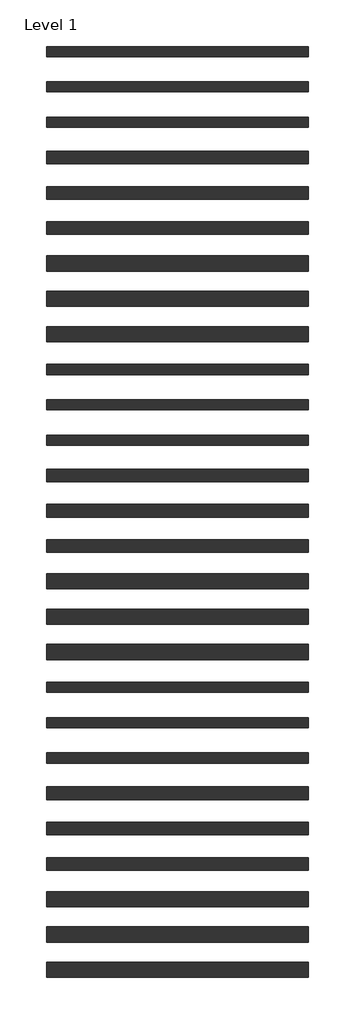
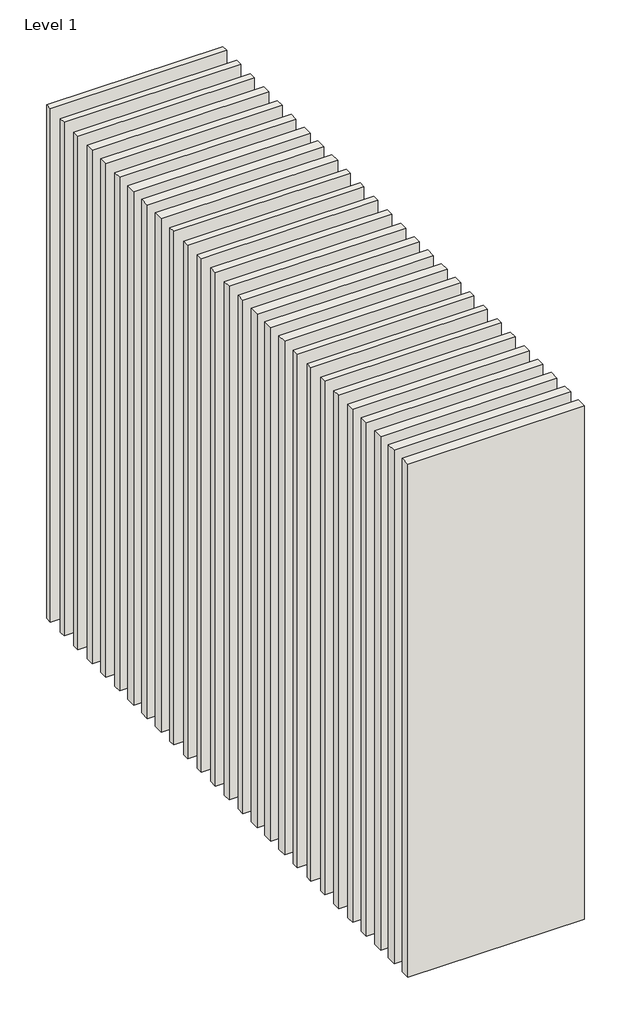
# One storey: 29 walls.
"""IFC4 building model written with IfcOpenShell, lengths in millimetres."""

from ifc_helpers import new_model, si_unit, origin, origin_with_axes, place, context, project, spatial, polyline, outline, extrude, element, save

model = new_model("IFC4")

# Units and contexts
model_context = context("Model", 3, world=origin())
ifc_project = project(units=[si_unit("LENGTHUNIT", "METRE", prefix="MILLI")], contexts=[model_context])

# Site, building, storey
site = spatial("IfcSite", under=ifc_project)
building = spatial("IfcBuilding", under=site)
storey = spatial("IfcBuildingStorey", under=building, Name="Level 1", Elevation=0.0)

# Walls
placement = place(None, origin())
element("IfcWall", 1, at=placement, inside=storey, context=model_context, shape_type="SweptSolid", body=[
    extrude(outline(polyline([(-16904.1464237, 6836.4042935), (-19504.1464237, 6836.4042935), (-19504.1464237, 6936.4042935), (-16904.1464237, 6936.4042935), (-16904.1464237, 6836.4042935)])), origin_with_axes(), (0.0, 0.0, 1.0), 8000.0),
])
element("IfcWall", 2, at=placement, inside=storey, context=model_context, shape_type="SweptSolid", body=[
    extrude(outline(polyline([(-16904.1464237, 1562.5198817), (-19504.1464237, 1562.5198817), (-19504.1464237, 1712.5198817), (-16904.1464237, 1712.5198817), (-16904.1464237, 1562.5198817)])), origin_with_axes(), (0.0, 0.0, 1.0), 8000.0),
])
element("IfcWall", 3, at=placement, inside=storey, context=model_context, shape_type="SweptSolid", body=[
    extrude(outline(polyline([(-16904.1464237, 6486.4042935), (-19504.1464237, 6486.4042935), (-19504.1464237, 6586.4042935), (-16904.1464237, 6586.4042935), (-16904.1464237, 6486.4042935)])), origin_with_axes(), (0.0, 0.0, 1.0), 8000.0),
])
element("IfcWall", 4, at=placement, inside=storey, context=model_context, shape_type="SweptSolid", body=[
    extrude(outline(polyline([(-16904.1464237, 6486.4042935), (-19504.1464237, 6486.4042935), (-19504.1464237, 6586.4042935), (-16904.1464237, 6586.4042935), (-16904.1464237, 6486.4042935)])), origin_with_axes(), (0.0, 0.0, 1.0), 8000.0),
])
element("IfcWall", 5, at=placement, inside=storey, context=model_context, shape_type="SweptSolid", body=[
    extrude(outline(polyline([(-16904.1464237, 6136.4042935), (-19504.1464237, 6136.4042935), (-19504.1464237, 6236.4042935), (-16904.1464237, 6236.4042935), (-16904.1464237, 6136.4042935)])), origin_with_axes(), (0.0, 0.0, 1.0), 8000.0),
])
element("IfcWall", 6, at=placement, inside=storey, context=model_context, shape_type="SweptSolid", body=[
    extrude(outline(polyline([(-16904.1464237, 6136.4042935), (-19504.1464237, 6136.4042935), (-19504.1464237, 6236.4042935), (-16904.1464237, 6236.4042935), (-16904.1464237, 6136.4042935)])), origin_with_axes(), (0.0, 0.0, 1.0), 8000.0),
])
element("IfcWall", 7, at=placement, inside=storey, context=model_context, shape_type="SweptSolid", body=[
    extrude(outline(polyline([(-16904.1464237, 5773.9042935), (-19504.1464237, 5773.9042935), (-19504.1464237, 5898.9042935), (-16904.1464237, 5898.9042935), (-16904.1464237, 5773.9042935)])), origin_with_axes(), (0.0, 0.0, 1.0), 8000.0),
])
element("IfcWall", 8, at=placement, inside=storey, context=model_context, shape_type="SweptSolid", body=[
    extrude(outline(polyline([(-16904.1464237, 5423.9042935), (-19504.1464237, 5423.9042935), (-19504.1464237, 5548.9042935), (-16904.1464237, 5548.9042935), (-16904.1464237, 5423.9042935)])), origin_with_axes(), (0.0, 0.0, 1.0), 8000.0),
])
element("IfcWall", 9, at=placement, inside=storey, context=model_context, shape_type="SweptSolid", body=[
    extrude(outline(polyline([(-16904.1464237, 5073.9042935), (-19504.1464237, 5073.9042935), (-19504.1464237, 5198.9042935), (-16904.1464237, 5198.9042935), (-16904.1464237, 5073.9042935)])), origin_with_axes(), (0.0, 0.0, 1.0), 8000.0),
])
element("IfcWall", 10, at=placement, inside=storey, context=model_context, shape_type="SweptSolid", body=[
    extrude(outline(polyline([(-16904.1464237, 4711.4042935), (-19504.1464237, 4711.4042935), (-19504.1464237, 4861.4042935), (-16904.1464237, 4861.4042935), (-16904.1464237, 4711.4042935)])), origin_with_axes(), (0.0, 0.0, 1.0), 8000.0),
])
element("IfcWall", 11, at=placement, inside=storey, context=model_context, shape_type="SweptSolid", body=[
    extrude(outline(polyline([(-16904.1464237, 4361.4042935), (-19504.1464237, 4361.4042935), (-19504.1464237, 4511.4042935), (-16904.1464237, 4511.4042935), (-16904.1464237, 4361.4042935)])), origin_with_axes(), (0.0, 0.0, 1.0), 8000.0),
])
element("IfcWall", 12, at=placement, inside=storey, context=model_context, shape_type="SweptSolid", body=[
    extrude(outline(polyline([(-16904.1464237, 4011.4042935), (-19504.1464237, 4011.4042935), (-19504.1464237, 4161.4042935), (-16904.1464237, 4161.4042935), (-16904.1464237, 4011.4042935)])), origin_with_axes(), (0.0, 0.0, 1.0), 8000.0),
])
element("IfcWall", 13, at=placement, inside=storey, context=model_context, shape_type="SweptSolid", body=[
    extrude(outline(polyline([(-16904.1464237, 1211.4042935), (-19504.1464237, 1211.4042935), (-19504.1464237, 1361.4042935), (-16904.1464237, 1361.4042935), (-16904.1464237, 1211.4042935)])), origin_with_axes(), (0.0, 0.0, 1.0), 8000.0),
])
element("IfcWall", 14, at=placement, inside=storey, context=model_context, shape_type="SweptSolid", body=[
    extrude(outline(polyline([(-16904.1464237, 861.4042935), (-19504.1464237, 861.4042935), (-19504.1464237, 1011.4042935), (-16904.1464237, 1011.4042935), (-16904.1464237, 861.4042935)])), origin_with_axes(), (0.0, 0.0, 1.0), 8000.0),
])
element("IfcWall", 15, at=placement, inside=storey, context=model_context, shape_type="SweptSolid", body=[
    extrude(outline(polyline([(-16904.1464237, 536.4042935), (-19504.1464237, 536.4042935), (-19504.1464237, 636.4042935), (-16904.1464237, 636.4042935), (-16904.1464237, 536.4042935)])), origin_with_axes(), (0.0, 0.0, 1.0), 8000.0),
])
element("IfcWall", 16, at=placement, inside=storey, context=model_context, shape_type="SweptSolid", body=[
    extrude(outline(polyline([(-16904.1464237, 186.4042935), (-19504.1464237, 186.4042935), (-19504.1464237, 286.4042935), (-16904.1464237, 286.4042935), (-16904.1464237, 186.4042935)])), origin_with_axes(), (0.0, 0.0, 1.0), 8000.0),
])
element("IfcWall", 17, at=placement, inside=storey, context=model_context, shape_type="SweptSolid", body=[
    extrude(outline(polyline([(-16904.1464237, -163.5957065), (-19504.1464237, -163.5957065), (-19504.1464237, -63.5957065), (-16904.1464237, -63.5957065), (-16904.1464237, -163.5957065)])), origin_with_axes(), (0.0, 0.0, 1.0), 8000.0),
])
element("IfcWall", 18, at=placement, inside=storey, context=model_context, shape_type="SweptSolid", body=[
    extrude(outline(polyline([(-16904.1464237, -526.0957065), (-19504.1464237, -526.0957065), (-19504.1464237, -401.0957065), (-16904.1464237, -401.0957065), (-16904.1464237, -526.0957065)])), origin_with_axes(), (0.0, 0.0, 1.0), 8000.0),
])
element("IfcWall", 19, at=placement, inside=storey, context=model_context, shape_type="SweptSolid", body=[
    extrude(outline(polyline([(-16904.1464237, -876.0957065), (-19504.1464237, -876.0957065), (-19504.1464237, -751.0957065), (-16904.1464237, -751.0957065), (-16904.1464237, -876.0957065)])), origin_with_axes(), (0.0, 0.0, 1.0), 8000.0),
])
element("IfcWall", 20, at=placement, inside=storey, context=model_context, shape_type="SweptSolid", body=[
    extrude(outline(polyline([(-16904.1464237, -1226.0957065), (-19504.1464237, -1226.0957065), (-19504.1464237, -1101.0957065), (-16904.1464237, -1101.0957065), (-16904.1464237, -1226.0957065)])), origin_with_axes(), (0.0, 0.0, 1.0), 8000.0),
])
element("IfcWall", 21, at=placement, inside=storey, context=model_context, shape_type="SweptSolid", body=[
    extrude(outline(polyline([(-16904.1464237, 3686.4042935), (-19504.1464237, 3686.4042935), (-19504.1464237, 3786.4042935), (-16904.1464237, 3786.4042935), (-16904.1464237, 3686.4042935)])), origin_with_axes(), (0.0, 0.0, 1.0), 8000.0),
])
element("IfcWall", 22, at=placement, inside=storey, context=model_context, shape_type="SweptSolid", body=[
    extrude(outline(polyline([(-16904.1464237, 3336.4042935), (-19504.1464237, 3336.4042935), (-19504.1464237, 3436.4042935), (-16904.1464237, 3436.4042935), (-16904.1464237, 3336.4042935)])), origin_with_axes(), (0.0, 0.0, 1.0), 8000.0),
])
element("IfcWall", 23, at=placement, inside=storey, context=model_context, shape_type="SweptSolid", body=[
    extrude(outline(polyline([(-16904.1464237, 2986.4042935), (-19504.1464237, 2986.4042935), (-19504.1464237, 3086.4042935), (-16904.1464237, 3086.4042935), (-16904.1464237, 2986.4042935)])), origin_with_axes(), (0.0, 0.0, 1.0), 8000.0),
])
element("IfcWall", 24, at=placement, inside=storey, context=model_context, shape_type="SweptSolid", body=[
    extrude(outline(polyline([(-16904.1464237, 2623.9042935), (-19504.1464237, 2623.9042935), (-19504.1464237, 2748.9042935), (-16904.1464237, 2748.9042935), (-16904.1464237, 2623.9042935)])), origin_with_axes(), (0.0, 0.0, 1.0), 8000.0),
])
element("IfcWall", 25, at=placement, inside=storey, context=model_context, shape_type="SweptSolid", body=[
    extrude(outline(polyline([(-16904.1464237, 2273.9042935), (-19504.1464237, 2273.9042935), (-19504.1464237, 2398.9042935), (-16904.1464237, 2398.9042935), (-16904.1464237, 2273.9042935)])), origin_with_axes(), (0.0, 0.0, 1.0), 8000.0),
])
element("IfcWall", 26, at=placement, inside=storey, context=model_context, shape_type="SweptSolid", body=[
    extrude(outline(polyline([(-16904.1464237, 1923.9042935), (-19504.1464237, 1923.9042935), (-19504.1464237, 2048.9042935), (-16904.1464237, 2048.9042935), (-16904.1464237, 1923.9042935)])), origin_with_axes(), (0.0, 0.0, 1.0), 8000.0),
])
element("IfcWall", 27, at=placement, inside=storey, context=model_context, shape_type="SweptSolid", body=[
    extrude(outline(polyline([(-16904.1464237, -1588.5957065), (-19504.1464237, -1588.5957065), (-19504.1464237, -1438.5957065), (-16904.1464237, -1438.5957065), (-16904.1464237, -1588.5957065)])), origin_with_axes(), (0.0, 0.0, 1.0), 8000.0),
])
element("IfcWall", 28, at=placement, inside=storey, context=model_context, shape_type="SweptSolid", body=[
    extrude(outline(polyline([(-16904.1464237, -1938.5957065), (-19504.1464237, -1938.5957065), (-19504.1464237, -1788.5957065), (-16904.1464237, -1788.5957065), (-16904.1464237, -1938.5957065)])), origin_with_axes(), (0.0, 0.0, 1.0), 8000.0),
])
element("IfcWall", 29, at=placement, inside=storey, context=model_context, shape_type="SweptSolid", body=[
    extrude(outline(polyline([(-16904.1464237, -2288.5957065), (-19504.1464237, -2288.5957065), (-19504.1464237, -2138.5957065), (-16904.1464237, -2138.5957065), (-16904.1464237, -2288.5957065)])), origin_with_axes(), (0.0, 0.0, 1.0), 8000.0),
])

save(model, "model.ifc")
